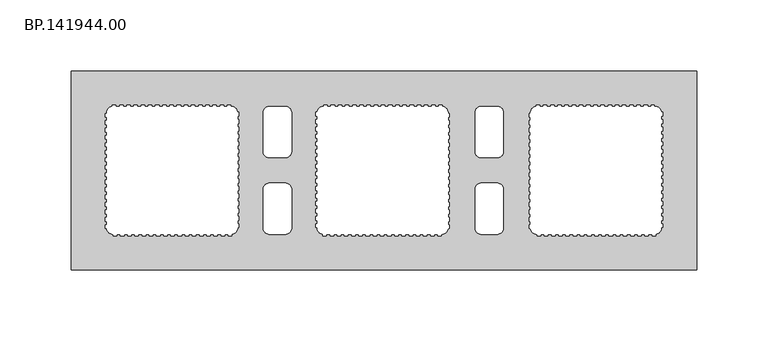
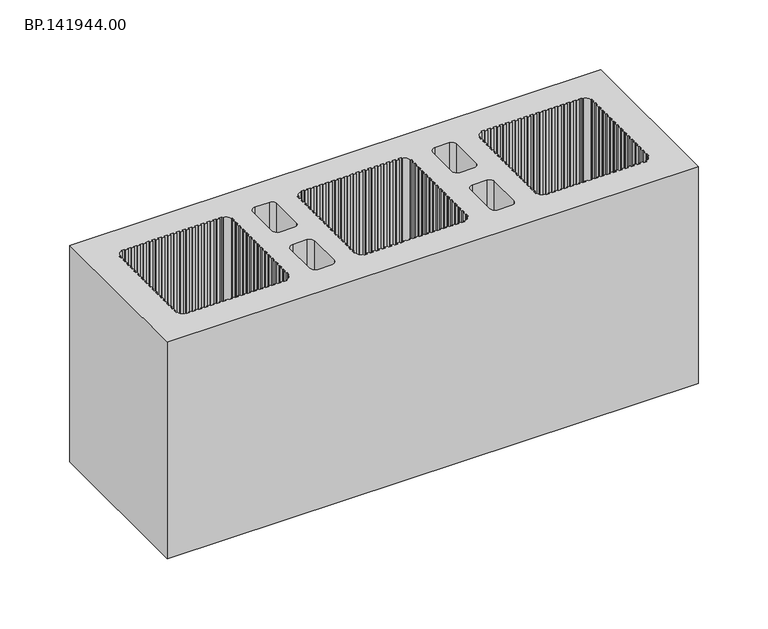
"""IFC4 building model written with IfcOpenShell, lengths in millimetres: proxy geometry, BP.141944.00."""

from ifc_helpers import new_model, si_unit, point, frame_2d, origin, origin_with_axes, place, context, project, spatial, polyline, circle_curve, trimmed, segment, composite_curve, outline, extrude, source, transform, mapped, element, save


def bp_141944_00_e443109d(model_context):
    return source(origin(), model_context, "Body", "SweptSolid", [
        extrude(outline(polyline([(445.0, 70.0050293), (445.0, -70.0050293), (5.0, -70.0050293), (5.0, 70.0050293), (445.0, 70.0050293)]), holes=[composite_curve([segment(polyline([(117.1882813, 46.0), (114.8, 46.0), (114.8, 45.0), (112.275, 45.0), (112.275, 46.0), (109.75, 46.0), (109.75, 45.0), (107.225, 45.0), (107.225, 46.0), (104.7, 46.0), (104.7, 45.0), (102.175, 45.0), (102.175, 46.0), (99.65, 46.0), (99.65, 45.0), (97.125, 45.0), (97.125, 46.0), (94.6, 46.0), (94.6, 45.0), (92.075, 45.0), (92.075, 46.0), (89.55, 46.0), (89.55, 45.0), (87.025, 45.0), (87.025, 46.0), (84.5, 46.0), (84.5, 45.0), (81.975, 45.0), (81.975, 46.0), (79.45, 46.0), (79.45, 45.0), (76.925, 45.0), (76.925, 46.0), (74.4, 46.0), (74.4, 45.0), (71.875, 45.0), (71.875, 46.0), (69.35, 46.0), (69.35, 45.0), (66.825, 45.0), (66.825, 46.0), (64.3, 46.0), (64.3, 45.0), (61.775, 45.0), (61.775, 46.0), (59.25, 46.0), (59.25, 45.0), (56.725, 45.0), (56.725, 46.0), (54.2, 46.0), (54.2, 45.0), (51.675, 45.0), (51.675, 46.0), (49.15, 46.0), (49.15, 45.0), (46.625, 45.0), (46.625, 46.0), (44.1, 46.0), (44.1, 45.0), (41.575, 45.0), (41.575, 46.0), (39.05, 46.0), (39.05, 45.0), (36.525, 45.0), (36.525, 46.0), (34.0, 46.0), (34.0, 45.0)]), True, "CONTINUOUS"), segment(trimmed(circle_curve(frame_2d((34.4748737, 40.5251263)), 4.5), [point((34.0, 45.0))], [point((30.0, 41.0))], True, "CARTESIAN"), True, "CONTINUOUS"), segment(polyline([(30.0, 41.0), (30.0, 40.1817359), (29.0, 40.1817359), (29.0, 37.6763775), (30.0, 37.6763775), (30.0, 35.0538315), (29.0, 35.0538315), (29.0, 32.4312856), (30.0, 32.4312856), (30.0, 29.8087397), (29.0, 29.8087397), (29.0, 27.1861938), (30.0, 27.1861938), (30.0, 24.5636479), (29.0, 24.5636479), (29.0, 21.941102), (30.0, 21.941102), (30.0, 19.318556), (29.0, 19.318556), (29.0, 16.6960101), (30.0, 16.6960101), (30.0, 14.0734642), (29.0, 14.0734642), (29.0, 11.4509183), (30.0, 11.4509183), (30.0, 8.8283724), (29.0, 8.8283724), (29.0, 6.2058265), (30.0, 6.2058265), (30.0, 3.5832806), (29.0, 3.5832806), (29.0, 0.9607346), (30.0, 0.9607346), (30.0, -1.6618113), (29.0, -1.6618113), (29.0, -4.2843572), (30.0, -4.2843572), (30.0, -6.9069031), (29.0, -6.9069031), (29.0, -9.529449), (30.0, -9.529449), (30.0, -12.1519949), (29.0, -12.1519949), (29.0, -14.7745408), (30.0, -14.7745408), (30.0, -17.3970868), (29.0, -17.3970868), (29.0, -20.0196327), (30.0, -20.0196327), (30.0, -22.6421786), (29.0, -22.6421786), (29.0, -25.2647245), (30.0, -25.2647245), (30.0, -27.8872704), (29.0, -27.8872704), (29.0, -30.5098163), (30.0, -30.5098163), (30.0, -33.1323623), (29.0, -33.1323623), (29.0, -35.7549082), (30.0, -35.7549082), (30.0, -38.3774541), (29.0, -38.3774541), (29.0, -41.0), (30.0, -41.0)]), True, "CONTINUOUS"), segment(trimmed(circle_curve(frame_2d((34.4748737, -40.5251263)), 4.5), [point((30.0, -41.0))], [point((34.0, -45.0))], True, "CARTESIAN"), True, "CONTINUOUS"), segment(polyline([(34.0, -45.0), (34.7921875, -45.0), (34.7921875, -46.0), (37.2, -46.0), (37.2, -45.0), (39.725, -45.0), (39.725, -46.0), (42.25, -46.0), (42.25, -45.0), (44.775, -45.0), (44.775, -46.0), (47.3, -46.0), (47.3, -45.0), (49.825, -45.0), (49.825, -46.0), (52.35, -46.0), (52.35, -45.0), (54.875, -45.0), (54.875, -46.0), (57.4, -46.0), (57.4, -45.0), (59.925, -45.0), (59.925, -46.0), (62.45, -46.0), (62.45, -45.0), (64.975, -45.0), (64.975, -46.0), (67.5, -46.0), (67.5, -45.0), (70.025, -45.0), (70.025, -46.0), (72.55, -46.0), (72.55, -45.0), (75.075, -45.0), (75.075, -46.0), (77.6, -46.0), (77.6, -45.0), (80.125, -45.0), (80.125, -46.0), (82.65, -46.0), (82.65, -45.0), (85.175, -45.0), (85.175, -46.0), (87.7, -46.0), (87.7, -45.0), (90.225, -45.0), (90.225, -46.0), (92.75, -46.0), (92.75, -45.0), (95.275, -45.0), (95.275, -46.0), (97.8, -46.0), (97.8, -45.0), (100.325, -45.0), (100.325, -46.0), (102.85, -46.0), (102.85, -45.0), (105.375, -45.0), (105.375, -46.0), (107.9, -46.0), (107.9, -45.0), (110.425, -45.0), (110.425, -46.0), (112.95, -46.0), (112.95, -45.0), (115.475, -45.0), (115.475, -46.0), (118.0, -46.0), (118.0, -45.0)]), True, "CONTINUOUS"), segment(trimmed(circle_curve(frame_2d((117.5251263, -40.5251263)), 4.5), [point((118.0, -45.0))], [point((122.0, -41.0))], True, "CARTESIAN"), True, "CONTINUOUS"), segment(polyline([(122.0, -41.0), (122.0, -40.1817359), (123.0, -40.1817359), (123.0, -37.6763775), (122.0, -37.6763775), (122.0, -35.0538315), (123.0, -35.0538315), (123.0, -32.4312856), (122.0, -32.4312856), (122.0, -29.8087397), (123.0, -29.8087397), (123.0, -27.1861938), (122.0, -27.1861938), (122.0, -24.5636479), (123.0, -24.5636479), (123.0, -21.941102), (122.0, -21.941102), (122.0, -19.318556), (123.0, -19.318556), (123.0, -16.6960101), (122.0, -16.6960101), (122.0, -14.0734642), (123.0, -14.0734642), (123.0, -11.4509183), (122.0, -11.4509183), (122.0, -8.8283724), (123.0, -8.8283724), (123.0, -6.2058265), (122.0, -6.2058265), (122.0, -3.5832806), (123.0, -3.5832806), (123.0, -0.9607346), (122.0, -0.9607346), (122.0, 1.6618113), (123.0, 1.6618113), (123.0, 4.2843572), (122.0, 4.2843572), (122.0, 6.9069031), (123.0, 6.9069031), (123.0, 9.529449), (122.0, 9.529449), (122.0, 12.1519949), (123.0, 12.1519949), (123.0, 14.7745408), (122.0, 14.7745408), (122.0, 17.3970868), (123.0, 17.3970868), (123.0, 20.0196327), (122.0, 20.0196327), (122.0, 22.6421786), (123.0, 22.6421786), (123.0, 25.2647245), (122.0, 25.2647245), (122.0, 27.8872704), (123.0, 27.8872704), (123.0, 30.5098163), (122.0, 30.5098163), (122.0, 33.1323623), (123.0, 33.1323623), (123.0, 35.7549082), (122.0, 35.7549082), (122.0, 38.3774541), (123.0, 38.3774541), (123.0, 41.0), (122.0, 41.0)]), True, "CONTINUOUS"), segment(trimmed(circle_curve(frame_2d((117.5251263, 40.5251263)), 4.5), [point((122.0, 41.0))], [point((118.0, 45.0))], True, "CARTESIAN"), True, "CONTINUOUS"), segment(polyline([(118.0, 45.0), (117.1882813, 45.0), (117.1882813, 46.0)]), True, "CONTINUOUS")], self_intersect=False), composite_curve([segment(polyline([(182.8117188, 46.0), (182.8117188, 45.0), (182.0, 45.0)]), True, "CONTINUOUS"), segment(trimmed(circle_curve(frame_2d((182.4748737, 40.5251263)), 4.5), [point((182.0, 45.0))], [point((178.0, 41.0))], True, "CARTESIAN"), True, "CONTINUOUS"), segment(polyline([(178.0, 41.0), (177.0, 41.0), (177.0, 38.3774541), (178.0, 38.3774541), (178.0, 35.7549082), (177.0, 35.7549082), (177.0, 33.1323623), (178.0, 33.1323623), (178.0, 30.5098163), (177.0, 30.5098163), (177.0, 27.8872704), (178.0, 27.8872704), (178.0, 25.2647245), (177.0, 25.2647245), (177.0, 22.6421786), (178.0, 22.6421786), (178.0, 20.0196327), (177.0, 20.0196327), (177.0, 17.3970868), (178.0, 17.3970868), (178.0, 14.7745408), (177.0, 14.7745408), (177.0, 12.1519949), (178.0, 12.1519949), (178.0, 9.529449), (177.0, 9.529449), (177.0, 6.9069031), (178.0, 6.9069031), (178.0, 4.2843572), (177.0, 4.2843572), (177.0, 1.6618113), (178.0, 1.6618113), (178.0, -0.9607346), (177.0, -0.9607346), (177.0, -3.5832806), (178.0, -3.5832806), (178.0, -6.2058265), (177.0, -6.2058265), (177.0, -8.8283724), (178.0, -8.8283724), (178.0, -11.4509183), (177.0, -11.4509183), (177.0, -14.0734642), (178.0, -14.0734642), (178.0, -16.6960101), (177.0, -16.6960101), (177.0, -19.318556), (178.0, -19.318556), (178.0, -21.941102), (177.0, -21.941102), (177.0, -24.5636479), (178.0, -24.5636479), (178.0, -27.1861938), (177.0, -27.1861938), (177.0, -29.8087397), (178.0, -29.8087397), (178.0, -32.4312856), (177.0, -32.4312856), (177.0, -35.0538315), (178.0, -35.0538315), (178.0, -37.6763775), (177.0, -37.6763775), (177.0, -40.1817359), (178.0, -40.1817359), (178.0, -41.0)]), True, "CONTINUOUS"), segment(trimmed(circle_curve(frame_2d((182.4748737, -40.5251263)), 4.5), [point((178.0, -41.0))], [point((182.0, -45.0))], True, "CARTESIAN"), True, "CONTINUOUS"), segment(polyline([(182.0, -45.0), (182.0, -46.0), (184.525, -46.0), (184.525, -45.0), (187.05, -45.0), (187.05, -46.0), (189.575, -46.0), (189.575, -45.0), (192.1, -45.0), (192.1, -46.0), (194.625, -46.0), (194.625, -45.0), (197.15, -45.0), (197.15, -46.0), (199.675, -46.0), (199.675, -45.0), (202.2, -45.0), (202.2, -46.0), (204.725, -46.0), (204.725, -45.0), (207.25, -45.0), (207.25, -46.0), (209.775, -46.0), (209.775, -45.0), (212.3, -45.0), (212.3, -46.0), (214.825, -46.0), (214.825, -45.0), (217.35, -45.0), (217.35, -46.0), (219.875, -46.0), (219.875, -45.0), (222.4, -45.0), (222.4, -46.0), (224.925, -46.0), (224.925, -45.0), (227.45, -45.0), (227.45, -46.0), (229.975, -46.0), (229.975, -45.0), (232.5, -45.0), (232.5, -46.0), (235.025, -46.0), (235.025, -45.0), (237.55, -45.0), (237.55, -46.0), (240.075, -46.0), (240.075, -45.0), (242.6, -45.0), (242.6, -46.0), (245.125, -46.0), (245.125, -45.0), (247.65, -45.0), (247.65, -46.0), (250.175, -46.0), (250.175, -45.0), (252.7, -45.0), (252.7, -46.0), (255.225, -46.0), (255.225, -45.0), (257.75, -45.0), (257.75, -46.0), (260.275, -46.0), (260.275, -45.0), (262.8, -45.0), (262.8, -46.0), (265.2078125, -46.0), (265.2078125, -45.0), (266.0, -45.0)]), True, "CONTINUOUS"), segment(trimmed(circle_curve(frame_2d((265.5251263, -40.5251263)), 4.5), [point((266.0, -45.0))], [point((270.0, -41.0))], True, "CARTESIAN"), True, "CONTINUOUS"), segment(polyline([(270.0, -41.0), (271.0, -41.0), (271.0, -38.3774541), (270.0, -38.3774541), (270.0, -35.7549082), (271.0, -35.7549082), (271.0, -33.1323623), (270.0, -33.1323623), (270.0, -30.5098163), (271.0, -30.5098163), (271.0, -27.8872704), (270.0, -27.8872704), (270.0, -25.2647245), (271.0, -25.2647245), (271.0, -22.6421786), (270.0, -22.6421786), (270.0, -20.0196327), (271.0, -20.0196327), (271.0, -17.3970868), (270.0, -17.3970868), (270.0, -14.7745408), (271.0, -14.7745408), (271.0, -12.1519949), (270.0, -12.1519949), (270.0, -9.529449), (271.0, -9.529449), (271.0, -6.9069031), (270.0, -6.9069031), (270.0, -4.2843572), (271.0, -4.2843572), (271.0, -1.6618113), (270.0, -1.6618113), (270.0, 0.9607346), (271.0, 0.9607346), (271.0, 3.5832806), (270.0, 3.5832806), (270.0, 6.2058265), (271.0, 6.2058265), (271.0, 8.8283724), (270.0, 8.8283724), (270.0, 11.4509183), (271.0, 11.4509183), (271.0, 14.0734642), (270.0, 14.0734642), (270.0, 16.6960101), (271.0, 16.6960101), (271.0, 19.318556), (270.0, 19.318556), (270.0, 21.941102), (271.0, 21.941102), (271.0, 24.5636479), (270.0, 24.5636479), (270.0, 27.1861938), (271.0, 27.1861938), (271.0, 29.8087397), (270.0, 29.8087397), (270.0, 32.4312856), (271.0, 32.4312856), (271.0, 35.0538315), (270.0, 35.0538315), (270.0, 37.6763775), (271.0, 37.6763775), (271.0, 40.1817359), (270.0, 40.1817359), (270.0, 41.0)]), True, "CONTINUOUS"), segment(trimmed(circle_curve(frame_2d((265.5251263, 40.5251263)), 4.5), [point((270.0, 41.0))], [point((266.0, 45.0))], True, "CARTESIAN"), True, "CONTINUOUS"), segment(polyline([(266.0, 45.0), (266.0, 46.0), (263.475, 46.0), (263.475, 45.0), (260.95, 45.0), (260.95, 46.0), (258.425, 46.0), (258.425, 45.0), (255.9, 45.0), (255.9, 46.0), (253.375, 46.0), (253.375, 45.0), (250.85, 45.0), (250.85, 46.0), (248.325, 46.0), (248.325, 45.0), (245.8, 45.0), (245.8, 46.0), (243.275, 46.0), (243.275, 45.0), (240.75, 45.0), (240.75, 46.0), (238.225, 46.0), (238.225, 45.0), (235.7, 45.0), (235.7, 46.0), (233.175, 46.0), (233.175, 45.0), (230.65, 45.0), (230.65, 46.0), (228.125, 46.0), (228.125, 45.0), (225.6, 45.0), (225.6, 46.0), (223.075, 46.0), (223.075, 45.0), (220.55, 45.0), (220.55, 46.0), (218.025, 46.0), (218.025, 45.0), (215.5, 45.0), (215.5, 46.0), (212.975, 46.0), (212.975, 45.0), (210.45, 45.0), (210.45, 46.0), (207.925, 46.0), (207.925, 45.0), (205.4, 45.0), (205.4, 46.0), (202.875, 46.0), (202.875, 45.0), (200.35, 45.0), (200.35, 46.0), (197.825, 46.0), (197.825, 45.0), (195.3, 45.0), (195.3, 46.0), (192.775, 46.0), (192.775, 45.0), (190.25, 45.0), (190.25, 46.0), (187.725, 46.0), (187.725, 45.0), (185.2, 45.0), (185.2, 46.0), (182.8117188, 46.0)]), True, "CONTINUOUS")], self_intersect=False), composite_curve([segment(trimmed(circle_curve(frame_2d((155.5251263, 40.5251263)), 4.5), [point((160.0, 41.0))], [point((156.0, 45.0))], True, "CARTESIAN"), True, "CONTINUOUS"), segment(polyline([(156.0, 45.0), (144.0, 45.0)]), True, "CONTINUOUS"), segment(trimmed(circle_curve(frame_2d((144.4748737, 40.5251263)), 4.5), [point((144.0, 45.0))], [point((140.0, 41.0))], True, "CARTESIAN"), True, "CONTINUOUS"), segment(polyline([(140.0, 41.0), (140.0, 13.0)]), True, "CONTINUOUS"), segment(trimmed(circle_curve(frame_2d((144.4748737, 13.4748737)), 4.5), [point((140.0, 13.0))], [point((144.0, 9.0))], True, "CARTESIAN"), True, "CONTINUOUS"), segment(polyline([(144.0, 9.0), (156.0, 9.0)]), True, "CONTINUOUS"), segment(trimmed(circle_curve(frame_2d((155.5251263, 13.4748737)), 4.5), [point((156.0, 9.0))], [point((160.0, 13.0))], True, "CARTESIAN"), True, "CONTINUOUS"), segment(polyline([(160.0, 13.0), (160.0, 41.0)]), True, "CONTINUOUS")], self_intersect=False), composite_curve([segment(trimmed(circle_curve(frame_2d((155.5251263, -13.4748737)), 4.5), [point((160.0, -13.0))], [point((156.0, -9.0))], True, "CARTESIAN"), True, "CONTINUOUS"), segment(polyline([(156.0, -9.0), (144.0, -9.0)]), True, "CONTINUOUS"), segment(trimmed(circle_curve(frame_2d((144.4748737, -13.4748737)), 4.5), [point((144.0, -9.0))], [point((140.0, -13.0))], True, "CARTESIAN"), True, "CONTINUOUS"), segment(polyline([(140.0, -13.0), (140.0, -41.0)]), True, "CONTINUOUS"), segment(trimmed(circle_curve(frame_2d((144.4748737, -40.5251263)), 4.5), [point((140.0, -41.0))], [point((144.0, -45.0))], True, "CARTESIAN"), True, "CONTINUOUS"), segment(polyline([(144.0, -45.0), (156.0, -45.0)]), True, "CONTINUOUS"), segment(trimmed(circle_curve(frame_2d((155.5251263, -40.5251263)), 4.5), [point((156.0, -45.0))], [point((160.0, -41.0))], True, "CARTESIAN"), True, "CONTINUOUS"), segment(polyline([(160.0, -41.0), (160.0, -13.0)]), True, "CONTINUOUS")], self_intersect=False), composite_curve([segment(polyline([(415.1882813, 46.0), (412.8, 46.0), (412.8, 45.0), (410.275, 45.0), (410.275, 46.0), (407.75, 46.0), (407.75, 45.0), (405.225, 45.0), (405.225, 46.0), (402.7, 46.0), (402.7, 45.0), (400.175, 45.0), (400.175, 46.0), (397.65, 46.0), (397.65, 45.0), (395.125, 45.0), (395.125, 46.0), (392.6, 46.0), (392.6, 45.0), (390.075, 45.0), (390.075, 46.0), (387.55, 46.0), (387.55, 45.0), (385.025, 45.0), (385.025, 46.0), (382.5, 46.0), (382.5, 45.0), (379.975, 45.0), (379.975, 46.0), (377.45, 46.0), (377.45, 45.0), (374.925, 45.0), (374.925, 46.0), (372.4, 46.0), (372.4, 45.0), (369.875, 45.0), (369.875, 46.0), (367.35, 46.0), (367.35, 45.0), (364.825, 45.0), (364.825, 46.0), (362.3, 46.0), (362.3, 45.0), (359.775, 45.0), (359.775, 46.0), (357.25, 46.0), (357.25, 45.0), (354.725, 45.0), (354.725, 46.0), (352.2, 46.0), (352.2, 45.0), (349.675, 45.0), (349.675, 46.0), (347.15, 46.0), (347.15, 45.0), (344.625, 45.0), (344.625, 46.0), (342.1, 46.0), (342.1, 45.0), (339.575, 45.0), (339.575, 46.0), (337.05, 46.0), (337.05, 45.0), (334.525, 45.0), (334.525, 46.0), (332.0, 46.0), (332.0, 45.0)]), True, "CONTINUOUS"), segment(trimmed(circle_curve(frame_2d((332.4748737, 40.5251263)), 4.5), [point((332.0, 45.0))], [point((328.0, 41.0))], True, "CARTESIAN"), True, "CONTINUOUS"), segment(polyline([(328.0, 41.0), (328.0, 40.1817359), (327.0, 40.1817359), (327.0, 37.6763775), (328.0, 37.6763775), (328.0, 35.0538315), (327.0, 35.0538315), (327.0, 32.4312856), (328.0, 32.4312856), (328.0, 29.8087397), (327.0, 29.8087397), (327.0, 27.1861938), (328.0, 27.1861938), (328.0, 24.5636479), (327.0, 24.5636479), (327.0, 21.941102), (328.0, 21.941102), (328.0, 19.318556), (327.0, 19.318556), (327.0, 16.6960101), (328.0, 16.6960101), (328.0, 14.0734642), (327.0, 14.0734642), (327.0, 11.4509183), (328.0, 11.4509183), (328.0, 8.8283724), (327.0, 8.8283724), (327.0, 6.2058265), (328.0, 6.2058265), (328.0, 3.5832806), (327.0, 3.5832806), (327.0, 0.9607346), (328.0, 0.9607346), (328.0, -1.6618113), (327.0, -1.6618113), (327.0, -4.2843572), (328.0, -4.2843572), (328.0, -6.9069031), (327.0, -6.9069031), (327.0, -9.529449), (328.0, -9.529449), (328.0, -12.1519949), (327.0, -12.1519949), (327.0, -14.7745408), (328.0, -14.7745408), (328.0, -17.3970868), (327.0, -17.3970868), (327.0, -20.0196327), (328.0, -20.0196327), (328.0, -22.6421786), (327.0, -22.6421786), (327.0, -25.2647245), (328.0, -25.2647245), (328.0, -27.8872704), (327.0, -27.8872704), (327.0, -30.5098163), (328.0, -30.5098163), (328.0, -33.1323623), (327.0, -33.1323623), (327.0, -35.7549082), (328.0, -35.7549082), (328.0, -38.3774541), (327.0, -38.3774541), (327.0, -41.0), (328.0, -41.0)]), True, "CONTINUOUS"), segment(trimmed(circle_curve(frame_2d((332.4748737, -40.5251263)), 4.5), [point((328.0, -41.0))], [point((332.0, -45.0))], True, "CARTESIAN"), True, "CONTINUOUS"), segment(polyline([(332.0, -45.0), (332.7921875, -45.0), (332.7921875, -46.0), (335.2, -46.0), (335.2, -45.0), (337.725, -45.0), (337.725, -46.0), (340.25, -46.0), (340.25, -45.0), (342.775, -45.0), (342.775, -46.0), (345.3, -46.0), (345.3, -45.0), (347.825, -45.0), (347.825, -46.0), (350.35, -46.0), (350.35, -45.0), (352.875, -45.0), (352.875, -46.0), (355.4, -46.0), (355.4, -45.0), (357.925, -45.0), (357.925, -46.0), (360.45, -46.0), (360.45, -45.0), (362.975, -45.0), (362.975, -46.0), (365.5, -46.0), (365.5, -45.0), (368.025, -45.0), (368.025, -46.0), (370.55, -46.0), (370.55, -45.0), (373.075, -45.0), (373.075, -46.0), (375.6, -46.0), (375.6, -45.0), (378.125, -45.0), (378.125, -46.0), (380.65, -46.0), (380.65, -45.0), (383.175, -45.0), (383.175, -46.0), (385.7, -46.0), (385.7, -45.0), (388.225, -45.0), (388.225, -46.0), (390.75, -46.0), (390.75, -45.0), (393.275, -45.0), (393.275, -46.0), (395.8, -46.0), (395.8, -45.0), (398.325, -45.0), (398.325, -46.0), (400.85, -46.0), (400.85, -45.0), (403.375, -45.0), (403.375, -46.0), (405.9, -46.0), (405.9, -45.0), (408.425, -45.0), (408.425, -46.0), (410.95, -46.0), (410.95, -45.0), (413.475, -45.0), (413.475, -46.0), (416.0, -46.0), (416.0, -45.0)]), True, "CONTINUOUS"), segment(trimmed(circle_curve(frame_2d((415.5251263, -40.5251263)), 4.5), [point((416.0, -45.0))], [point((420.0, -41.0))], True, "CARTESIAN"), True, "CONTINUOUS"), segment(polyline([(420.0, -41.0), (420.0, -40.1817359), (421.0, -40.1817359), (421.0, -37.6763775), (420.0, -37.6763775), (420.0, -35.0538315), (421.0, -35.0538315), (421.0, -32.4312856), (420.0, -32.4312856), (420.0, -29.8087397), (421.0, -29.8087397), (421.0, -27.1861938), (420.0, -27.1861938), (420.0, -24.5636479), (421.0, -24.5636479), (421.0, -21.941102), (420.0, -21.941102), (420.0, -19.318556), (421.0, -19.318556), (421.0, -16.6960101), (420.0, -16.6960101), (420.0, -14.0734642), (421.0, -14.0734642), (421.0, -11.4509183), (420.0, -11.4509183), (420.0, -8.8283724), (421.0, -8.8283724), (421.0, -6.2058265), (420.0, -6.2058265), (420.0, -3.5832806), (421.0, -3.5832806), (421.0, -0.9607346), (420.0, -0.9607346), (420.0, 1.6618113), (421.0, 1.6618113), (421.0, 4.2843572), (420.0, 4.2843572), (420.0, 6.9069031), (421.0, 6.9069031), (421.0, 9.529449), (420.0, 9.529449), (420.0, 12.1519949), (421.0, 12.1519949), (421.0, 14.7745408), (420.0, 14.7745408), (420.0, 17.3970868), (421.0, 17.3970868), (421.0, 20.0196327), (420.0, 20.0196327), (420.0, 22.6421786), (421.0, 22.6421786), (421.0, 25.2647245), (420.0, 25.2647245), (420.0, 27.8872704), (421.0, 27.8872704), (421.0, 30.5098163), (420.0, 30.5098163), (420.0, 33.1323623), (421.0, 33.1323623), (421.0, 35.7549082), (420.0, 35.7549082), (420.0, 38.3774541), (421.0, 38.3774541), (421.0, 41.0), (420.0, 41.0)]), True, "CONTINUOUS"), segment(trimmed(circle_curve(frame_2d((415.5251263, 40.5251263)), 4.5), [point((420.0, 41.0))], [point((416.0, 45.0))], True, "CARTESIAN"), True, "CONTINUOUS"), segment(polyline([(416.0, 45.0), (415.1882813, 45.0), (415.1882813, 46.0)]), True, "CONTINUOUS")], self_intersect=False), composite_curve([segment(trimmed(circle_curve(frame_2d((304.5251263, 40.5251263)), 4.5), [point((309.0, 41.0))], [point((305.0, 45.0))], True, "CARTESIAN"), True, "CONTINUOUS"), segment(polyline([(305.0, 45.0), (293.0, 45.0)]), True, "CONTINUOUS"), segment(trimmed(circle_curve(frame_2d((293.4748737, 40.5251263)), 4.5), [point((293.0, 45.0))], [point((289.0, 41.0))], True, "CARTESIAN"), True, "CONTINUOUS"), segment(polyline([(289.0, 41.0), (289.0, 13.0)]), True, "CONTINUOUS"), segment(trimmed(circle_curve(frame_2d((293.4748737, 13.4748737)), 4.5), [point((289.0, 13.0))], [point((293.0, 9.0))], True, "CARTESIAN"), True, "CONTINUOUS"), segment(polyline([(293.0, 9.0), (305.0, 9.0)]), True, "CONTINUOUS"), segment(trimmed(circle_curve(frame_2d((304.5251263, 13.4748737)), 4.5), [point((305.0, 9.0))], [point((309.0, 13.0))], True, "CARTESIAN"), True, "CONTINUOUS"), segment(polyline([(309.0, 13.0), (309.0, 41.0)]), True, "CONTINUOUS")], self_intersect=False), composite_curve([segment(trimmed(circle_curve(frame_2d((304.5251263, -13.4748737)), 4.5), [point((309.0, -13.0))], [point((305.0, -9.0))], True, "CARTESIAN"), True, "CONTINUOUS"), segment(polyline([(305.0, -9.0), (293.0, -9.0)]), True, "CONTINUOUS"), segment(trimmed(circle_curve(frame_2d((293.4748737, -13.4748737)), 4.5), [point((293.0, -9.0))], [point((289.0, -13.0))], True, "CARTESIAN"), True, "CONTINUOUS"), segment(polyline([(289.0, -13.0), (289.0, -41.0)]), True, "CONTINUOUS"), segment(trimmed(circle_curve(frame_2d((293.4748737, -40.5251263)), 4.5), [point((289.0, -41.0))], [point((293.0, -45.0))], True, "CARTESIAN"), True, "CONTINUOUS"), segment(polyline([(293.0, -45.0), (305.0, -45.0)]), True, "CONTINUOUS"), segment(trimmed(circle_curve(frame_2d((304.5251263, -40.5251263)), 4.5), [point((305.0, -45.0))], [point((309.0, -41.0))], True, "CARTESIAN"), True, "CONTINUOUS"), segment(polyline([(309.0, -41.0), (309.0, -13.0)]), True, "CONTINUOUS")], self_intersect=False)]), origin_with_axes(), (0.0, 0.0, 1.0), 190.0),
    ])


if __name__ == "__main__":
    model = new_model("IFC4")
    model_context = context("Model", 3, world=origin())
    ifc_project = project(units=[si_unit("LENGTHUNIT", "METRE", prefix="MILLI")], contexts=[model_context])
    site = spatial("IfcSite", under=ifc_project)
    building = spatial("IfcBuilding", under=site)
    placement = place(None, origin())
    bp_141944_00_shape = bp_141944_00_e443109d(model_context)
    element("IfcBuildingElementProxy", 1, Name="BP.141944.00", ObjectType="BP.141944.00", at=placement, inside=building, context=model_context, shape_type="MappedRepresentation", body=[
        mapped(bp_141944_00_shape, transform((0.0, 0.0, 0.0), x_axis=(1.0, 0.0, 0.0), y_axis=(0.0, 1.0, 0.0), z_axis=(0.0, 0.0, 1.0))),
    ])
    save(model, "model.ifc")
